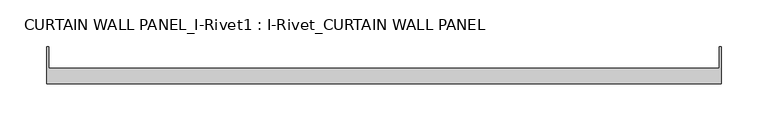
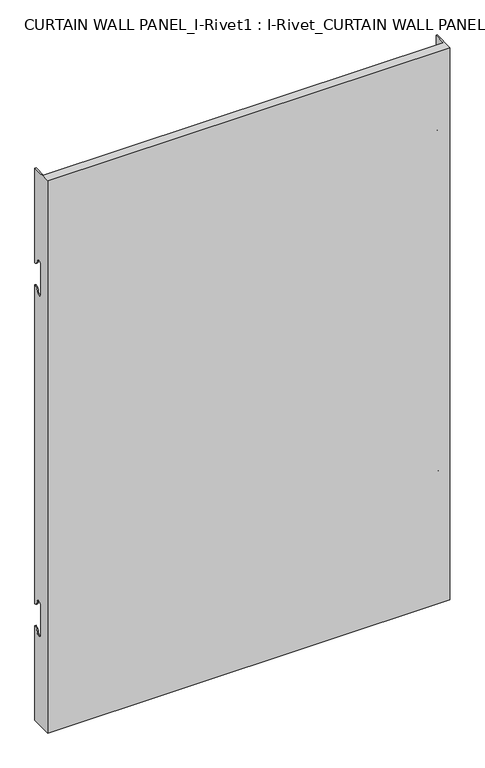
"""IFC4 building model written with IfcOpenShell, lengths in millimetres: plate geometry, CURTAIN WALL PANEL_I-Rivet1 : I-Rivet_CURTAIN WALL PANEL."""

from ifc_helpers import new_model, si_unit, frame, origin, place, context, project, spatial, polyline, circle_curve, source, transform, mapped, element, save
from ifc_brep_helpers import plane_surface, cylinder_surface, revolved_surface, advanced_brep


def curtain_wall_panel_i_rivet1_i_rivet_curtain_wall_panel_c81034d7(model_context):
    return source(origin(), model_context, "Body", "AdvancedBrep", [
        advanced_brep(
        [(-360.0, -85.0, 1045.0), (360.0, -85.0, 1045.0), (360.0, -45.3384103, 1045.0), (358.0, -45.3384103, 1045.0), (358.0, -68.0, 1045.0), (-358.0, -68.0, 1045.0), (-358.0, -45.3384103, 1045.0), (-360.0, -45.3384103, 1045.0), (-360.0, -85.0, 0.0), (-360.0, -45.3384103, 0.0), (-358.0, -45.3384103, 0.0), (-358.0, -68.0, 0.0), (358.0, -68.0, 0.0), (358.0, -45.3384103, 0.0), (360.0, -45.3384103, 0.0), (360.0, -85.0, 0.0), (-360.0, -45.3384103, 866.0), (-360.0, -52.3384103, 873.0), (-360.0, -63.3384103, 873.0), (-360.0, -63.3384103, 817.0), (-360.0, -52.3384103, 817.0), (-360.0, -45.3384103, 824.0), (-360.0, -45.3384103, 221.0), (-360.0, -52.3384103, 228.0), (-360.0, -63.3384103, 228.0), (-360.0, -63.3384103, 172.0), (-360.0, -52.3384103, 172.0), (-360.0, -45.3384103, 179.0), (-358.0, -45.3384103, 179.0), (-358.0, -45.3384103, 824.0), (-358.0, -45.3384103, 221.0), (-358.0, -45.3384103, 866.0), (360.0, -45.3384103, 866.0), (358.0, -45.3384103, 866.0), (358.0, -45.3384103, 179.0), (360.0, -45.3384103, 179.0), (358.0, -45.3384103, 221.0), (358.0, -45.3384103, 824.0), (360.0, -45.3384103, 824.0), (360.0, -45.3384103, 221.0), (360.0, -52.3384103, 172.0), (360.0, -63.3384103, 172.0), (360.0, -63.3384103, 228.0), (360.0, -52.3384103, 228.0), (360.0, -52.3384103, 817.0), (360.0, -63.3384103, 817.0), (360.0, -63.3384103, 873.0), (360.0, -52.3384103, 873.0), (-358.0, -52.3384103, 172.0), (-358.0, -63.3384103, 172.0), (-358.0, -63.3384103, 228.0), (-358.0, -52.3384103, 228.0), (-358.0, -52.3384103, 817.0), (-358.0, -63.3384103, 817.0), (-358.0, -63.3384103, 873.0), (-358.0, -52.3384103, 873.0), (358.0, -52.3384103, 873.0), (358.0, -63.3384103, 873.0), (358.0, -63.3384103, 817.0), (358.0, -52.3384103, 817.0), (358.0, -52.3384103, 228.0), (358.0, -63.3384103, 228.0), (358.0, -63.3384103, 172.0), (358.0, -52.3384103, 172.0)],
        [
            (0, 1),
            (1, 2),
            (2, 3),
            (3, 4),
            (4, 5),
            (5, 6),
            (6, 7),
            (7, 0),
            (8, 9),
            (9, 10),
            (10, 11),
            (11, 12),
            (12, 13),
            (13, 14),
            (14, 15),
            (15, 8),
            (7, 16),
            (16, 17, circle_curve(frame((-360.0, -45.3384103, 873.0), z_axis=(-1.0, 0.0, 0.0), x_axis=(0.0, -1.0, 0.0)), 7.0)),
            (17, 18, circle_curve(frame((-360.0, -57.8384103, 873.0), z_axis=(1.0, 0.0, 0.0), x_axis=(0.0, -1.0, 0.0)), 5.5)),
            (18, 19),
            (19, 20, circle_curve(frame((-360.0, -57.8384103, 817.0), z_axis=(1.0, 0.0, 0.0), x_axis=(0.0, -1.0, 0.0)), 5.5)),
            (20, 21, circle_curve(frame((-360.0, -45.3384103, 817.0), z_axis=(-1.0, 0.0, 0.0), x_axis=(0.0, -1.0, 0.0)), 7.0)),
            (21, 22),
            (22, 23, circle_curve(frame((-360.0, -45.3384103, 228.0), z_axis=(-1.0, 0.0, 0.0), x_axis=(0.0, -1.0, 0.0)), 7.0)),
            (23, 24, circle_curve(frame((-360.0, -57.8384103, 228.0), z_axis=(1.0, 0.0, 0.0), x_axis=(0.0, -1.0, 0.0)), 5.5)),
            (24, 25),
            (25, 26, circle_curve(frame((-360.0, -57.8384103, 172.0), z_axis=(1.0, 0.0, 0.0), x_axis=(0.0, -1.0, 0.0)), 5.5)),
            (26, 27, circle_curve(frame((-360.0, -45.3384103, 172.0), z_axis=(-1.0, 0.0, 0.0), x_axis=(0.0, -1.0, 0.0)), 7.0)),
            (27, 9),
            (8, 0),
            (27, 28),
            (28, 10),
            (21, 29),
            (29, 30),
            (30, 22),
            (6, 31),
            (31, 16),
            (2, 32),
            (32, 33),
            (33, 3),
            (13, 34),
            (34, 35),
            (35, 14),
            (36, 37),
            (37, 38),
            (38, 39),
            (39, 36),
            (1, 15),
            (35, 40, circle_curve(frame((360.0, -45.3384103, 172.0), z_axis=(1.0, 0.0, 0.0), x_axis=(0.0, -1.0, 0.0)), 7.0)),
            (40, 41, circle_curve(frame((360.0, -57.8384103, 172.0), z_axis=(-1.0, 0.0, 0.0), x_axis=(0.0, -1.0, 0.0)), 5.5)),
            (41, 42),
            (42, 43, circle_curve(frame((360.0, -57.8384103, 228.0), z_axis=(-1.0, 0.0, 0.0), x_axis=(0.0, -1.0, 0.0)), 5.5)),
            (43, 39, circle_curve(frame((360.0, -45.3384103, 228.0), z_axis=(1.0, 0.0, 0.0), x_axis=(0.0, -1.0, 0.0)), 7.0)),
            (38, 44, circle_curve(frame((360.0, -45.3384103, 817.0), z_axis=(1.0, 0.0, 0.0), x_axis=(0.0, -1.0, 0.0)), 7.0)),
            (44, 45, circle_curve(frame((360.0, -57.8384103, 817.0), z_axis=(-1.0, 0.0, 0.0), x_axis=(0.0, -1.0, 0.0)), 5.5)),
            (45, 46),
            (46, 47, circle_curve(frame((360.0, -57.8384103, 873.0), z_axis=(-1.0, 0.0, 0.0), x_axis=(0.0, -1.0, 0.0)), 5.5)),
            (47, 32, circle_curve(frame((360.0, -45.3384103, 873.0), z_axis=(1.0, 0.0, 0.0), x_axis=(0.0, -1.0, 0.0)), 7.0)),
            (5, 11),
            (28, 48, circle_curve(frame((-358.0, -45.3384103, 172.0), z_axis=(1.0, 0.0, 0.0), x_axis=(0.0, -1.0, 0.0)), 7.0)),
            (48, 49, circle_curve(frame((-358.0, -57.8384103, 172.0), z_axis=(-1.0, 0.0, 0.0), x_axis=(0.0, -1.0, 0.0)), 5.5)),
            (49, 50),
            (50, 51, circle_curve(frame((-358.0, -57.8384103, 228.0), z_axis=(-1.0, 0.0, 0.0), x_axis=(0.0, -1.0, 0.0)), 5.5)),
            (51, 30, circle_curve(frame((-358.0, -45.3384103, 228.0), z_axis=(1.0, 0.0, 0.0), x_axis=(0.0, -1.0, 0.0)), 7.0)),
            (29, 52, circle_curve(frame((-358.0, -45.3384103, 817.0), z_axis=(1.0, 0.0, 0.0), x_axis=(0.0, -1.0, 0.0)), 7.0)),
            (52, 53, circle_curve(frame((-358.0, -57.8384103, 817.0), z_axis=(-1.0, 0.0, 0.0), x_axis=(0.0, -1.0, 0.0)), 5.5)),
            (53, 54),
            (54, 55, circle_curve(frame((-358.0, -57.8384103, 873.0), z_axis=(-1.0, 0.0, 0.0), x_axis=(0.0, -1.0, 0.0)), 5.5)),
            (55, 31, circle_curve(frame((-358.0, -45.3384103, 873.0), z_axis=(1.0, 0.0, 0.0), x_axis=(0.0, -1.0, 0.0)), 7.0)),
            (33, 56, circle_curve(frame((358.0, -45.3384103, 873.0), z_axis=(-1.0, 0.0, 0.0), x_axis=(0.0, -1.0, 0.0)), 7.0)),
            (56, 57, circle_curve(frame((358.0, -57.8384103, 873.0), z_axis=(1.0, 0.0, 0.0), x_axis=(0.0, -1.0, 0.0)), 5.5)),
            (57, 58),
            (58, 59, circle_curve(frame((358.0, -57.8384103, 817.0), z_axis=(1.0, 0.0, 0.0), x_axis=(0.0, -1.0, 0.0)), 5.5)),
            (59, 37, circle_curve(frame((358.0, -45.3384103, 817.0), z_axis=(-1.0, 0.0, 0.0), x_axis=(0.0, -1.0, 0.0)), 7.0)),
            (36, 60, circle_curve(frame((358.0, -45.3384103, 228.0), z_axis=(-1.0, 0.0, 0.0), x_axis=(0.0, -1.0, 0.0)), 7.0)),
            (60, 61, circle_curve(frame((358.0, -57.8384103, 228.0), z_axis=(1.0, 0.0, 0.0), x_axis=(0.0, -1.0, 0.0)), 5.5)),
            (61, 62),
            (62, 63, circle_curve(frame((358.0, -57.8384103, 172.0), z_axis=(1.0, 0.0, 0.0), x_axis=(0.0, -1.0, 0.0)), 5.5)),
            (63, 34, circle_curve(frame((358.0, -45.3384103, 172.0), z_axis=(-1.0, 0.0, 0.0), x_axis=(0.0, -1.0, 0.0)), 7.0)),
            (12, 4),
            (41, 62),
            (61, 42),
            (49, 25),
            (24, 50),
            (40, 63),
            (48, 26),
            (51, 23),
            (43, 60),
            (18, 54),
            (53, 19),
            (57, 46),
            (45, 58),
            (17, 55),
            (56, 47),
            (59, 44),
            (20, 52),
        ],
        [
            plane_surface(frame((-360.0, -45.3384103, 1045.0), z_axis=(0.0, 0.0, 1.0), x_axis=(0.0, 1.0, 0.0))),
            plane_surface(frame((-360.0, -45.3384103, 0.0), z_axis=(0.0, 0.0, -1.0), x_axis=(0.0, -1.0, 0.0))),
            plane_surface(frame((-360.0, -85.0, 1045.0), z_axis=(-1.0, 0.0, 0.0), x_axis=(0.0, 0.0, -1.0))),
            plane_surface(frame((-360.0, -45.3384103, 1045.0), z_axis=(0.0, 1.0, 0.0), x_axis=(0.0, 0.0, -1.0))),
            plane_surface(frame((358.0, -45.3384103, 1045.0), z_axis=(0.0, 1.0, 0.0), x_axis=(0.0, 0.0, -1.0))),
            plane_surface(frame((360.0, -45.3384103, 1045.0), z_axis=(1.0, 0.0, 0.0), x_axis=(0.0, 0.0, -1.0))),
            plane_surface(frame((360.0, -85.0, 1045.0), z_axis=(0.0, -1.0, 0.0), x_axis=(0.0, 0.0, -1.0))),
            plane_surface(frame((-358.0, -45.3384103, 1045.0), z_axis=(1.0, 0.0, 0.0), x_axis=(0.0, 0.0, -1.0))),
            plane_surface(frame((358.0, -68.0, 1045.0), z_axis=(-1.0, 0.0, 0.0), x_axis=(0.0, 0.0, -1.0))),
            plane_surface(frame((-359.0, -68.0, 1045.0), z_axis=(0.0, 1.0, 0.0), x_axis=(0.0, 0.0, -1.0))),
            plane_surface(frame((-360.0, -63.3384103, 228.0), z_axis=(0.0, 1.0, 0.0), x_axis=(1.0, 0.0, 0.0))),
            revolved_surface(polyline([(358.0, -63.3384103, 172.0), (360.0, -63.3384103, 172.0)]), (-360.0, -57.8384103, 172.0), (-1.0, 0.0, 0.0)),
            revolved_surface(polyline([(-360.0, -63.3384103, 172.0), (-358.0, -63.3384103, 172.0)]), (-360.0, -57.8384103, 172.0), (-1.0, 0.0, 0.0)),
            cylinder_surface(frame((-360.0, -45.3384103, 172.0), z_axis=(1.0, 0.0, 0.0), x_axis=(0.0, -1.0, 0.0)), 7.0),
            cylinder_surface(frame((-360.0, -45.3384103, 228.0), z_axis=(1.0, 0.0, 0.0), x_axis=(0.0, -1.0, 0.0)), 7.0),
            revolved_surface(polyline([(-360.0, -63.3384103, 228.0), (-358.0, -63.3384103, 228.0)]), (-360.0, -57.8384103, 228.0), (-1.0, 0.0, 0.0)),
            revolved_surface(polyline([(358.0, -63.3384103, 228.0), (360.0, -63.3384103, 228.0)]), (-360.0, -57.8384103, 228.0), (-1.0, 0.0, 0.0)),
            plane_surface(frame((360.0, -63.3384103, 817.0), z_axis=(0.0, 1.0, 0.0), x_axis=(-1.0, 0.0, 0.0))),
            revolved_surface(polyline([(-358.0, -63.3384103, 873.0), (-360.0, -63.3384103, 873.0)]), (360.0, -57.8384103, 873.0), (1.0, 0.0, 0.0)),
            revolved_surface(polyline([(360.0, -63.3384103, 873.0), (358.0, -63.3384103, 873.0)]), (360.0, -57.8384103, 873.0), (1.0, 0.0, 0.0)),
            cylinder_surface(frame((360.0, -45.3384103, 873.0), z_axis=(-1.0, 0.0, 0.0), x_axis=(0.0, -1.0, 0.0)), 7.0),
            cylinder_surface(frame((360.0, -45.3384103, 817.0), z_axis=(-1.0, 0.0, 0.0), x_axis=(0.0, -1.0, 0.0)), 7.0),
            revolved_surface(polyline([(360.0, -63.3384103, 817.0), (358.0, -63.3384103, 817.0)]), (360.0, -57.8384103, 817.0), (1.0, 0.0, 0.0)),
            revolved_surface(polyline([(-358.0, -63.3384103, 817.0), (-360.0, -63.3384103, 817.0)]), (360.0, -57.8384103, 817.0), (1.0, 0.0, 0.0)),
        ],
        [
            (0, [[1, 2, 3, 4, 5, 6, 7, 8]]),
            (1, [[9, 10, 11, 12, 13, 14, 15, 16]]),
            (2, [[17, 18, 19, 20, 21, 22, 23, 24, 25, 26, 27, 28, 29, -9, 30, -8]]),
            (3, [[-29, 31, 32, -10]]),
            (3, [[-23, 33, 34, 35]]),
            (3, [[36, 37, -17, -7]]),
            (4, [[38, 39, 40, -3]]),
            (4, [[41, 42, 43, -14]]),
            (4, [[44, 45, 46, 47]]),
            (5, [[48, -15, -43, 49, 50, 51, 52, 53, -46, 54, 55, 56, 57, 58, -38, -2]]),
            (6, [[-30, -16, -48, -1]]),
            (7, [[59, -11, -32, 60, 61, 62, 63, 64, -34, 65, 66, 67, 68, 69, -36, -6]]),
            (8, [[-40, 70, 71, 72, 73, 74, -44, 75, 76, 77, 78, 79, -41, -13, 80, -4]]),
            (9, [[-80, -12, -59, -5]]),
            (10, [[-51, 81, -77, 82]]),
            (10, [[-62, 83, -26, 84]]),
            (11, [[-50, 85, -78, -81]]),
            (12, [[-61, 86, -27, -83]]),
            (13, [[-49, -42, -79, -85]]),
            (13, [[-60, -31, -28, -86]]),
            (14, [[-24, -35, -64, 87]]),
            (14, [[-75, -47, -53, 88]]),
            (15, [[-25, -87, -63, -84]]),
            (16, [[-76, -88, -52, -82]]),
            (17, [[-20, 89, -67, 90]]),
            (17, [[-72, 91, -56, 92]]),
            (18, [[-19, 93, -68, -89]]),
            (19, [[-71, 94, -57, -91]]),
            (20, [[-18, -37, -69, -93]]),
            (20, [[-70, -39, -58, -94]]),
            (21, [[-54, -45, -74, 95]]),
            (21, [[-65, -33, -22, 96]]),
            (22, [[-55, -95, -73, -92]]),
            (23, [[-66, -96, -21, -90]]),
        ],
    ),
    ])


if __name__ == "__main__":
    model = new_model("IFC4")
    model_context = context("Model", 3, world=origin())
    ifc_project = project(units=[si_unit("LENGTHUNIT", "METRE", prefix="MILLI")], contexts=[model_context])
    site = spatial("IfcSite", under=ifc_project)
    building = spatial("IfcBuilding", under=site)
    placement = place(None, origin())
    curtain_wall_panel_i_rivet1_i_rivet_curtain_wall_panel_shape = curtain_wall_panel_i_rivet1_i_rivet_curtain_wall_panel_c81034d7(model_context)
    element("IfcPlate", 1, ObjectType="CURTAIN WALL PANEL_I-Rivet1 : I-Rivet_CURTAIN WALL PANEL", at=placement, inside=building, context=model_context, shape_type="MappedRepresentation", body=[
        mapped(curtain_wall_panel_i_rivet1_i_rivet_curtain_wall_panel_shape, transform((0.0, 0.0, 0.0), x_axis=(1.0, 0.0, 0.0), y_axis=(0.0, 1.0, 0.0), z_axis=(0.0, 0.0, 1.0))),
    ])
    save(model, "model.ifc")
